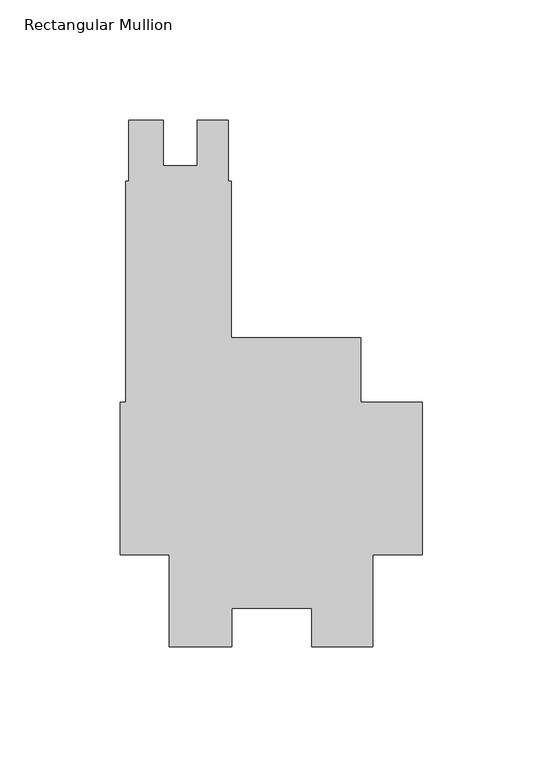
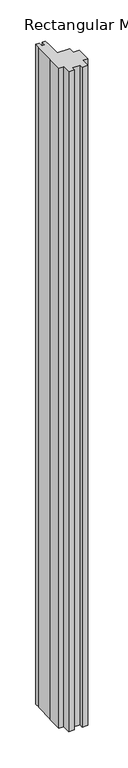
"""IFC4 building model written with IfcOpenShell, lengths in millimetres: member geometry, Rectangular Mullion."""

from ifc_helpers import new_model, si_unit, frame, origin, place, context, project, spatial, polyline, outline, extrude, source, transform, mapped, element, save


def rectangular_mullion_1c4da662(model_context):
    return source(origin(), model_context, "Body", "SweptSolid", [
        extrude(outline(polyline([(-123.39955, 31.7500001), (-123.39955, 123.8250001), (-122.1422337, 123.8250001), (-122.1422337, 149.2250001), (-107.88015, 149.2250001), (-107.88015, 130.187701), (-93.59265, 130.187701), (-93.59265, 149.2250001), (-80.87995, 149.2250001), (-80.87995, 123.8250001), (-79.60995, 123.8250001), (-79.60995, 58.7248001), (-25.577927, 58.7248001), (-25.577927, 31.7500001), (0.0, 31.7500001), (0.0, -31.75), (-20.6735973, -31.75), (-20.6735973, -69.85), (-46.0042659, -69.85), (-46.0042659, -53.9624751), (-79.3959182, -53.9624751), (-79.3959182, -69.8732034), (-105.2447888, -69.8732034), (-105.2447888, -31.75), (-125.7808, -31.75), (-125.7808, 31.7500001), (-123.39955, 31.7500001)])), frame((0.0, 0.0, -3048.0), z_axis=(0.0, 0.0, 1.0), x_axis=(1.0, 0.0, 0.0)), (0.0, 0.0, 1.0), 3048.0),
    ])


if __name__ == "__main__":
    model = new_model("IFC4")
    model_context = context("Model", 3, world=origin())
    ifc_project = project(units=[si_unit("LENGTHUNIT", "METRE", prefix="MILLI")], contexts=[model_context])
    site = spatial("IfcSite", under=ifc_project)
    building = spatial("IfcBuilding", under=site)
    placement = place(None, origin())
    rectangular_mullion_shape = rectangular_mullion_1c4da662(model_context)
    element("IfcMember", 1, ObjectType="Rectangular Mullion", at=placement, inside=building, context=model_context, shape_type="MappedRepresentation", body=[
        mapped(rectangular_mullion_shape, transform((0.0, 0.0, 0.0), x_axis=(1.0, 0.0, 0.0), y_axis=(0.0, 1.0, 0.0), z_axis=(0.0, 0.0, 1.0))),
    ])
    save(model, "model.ifc")
